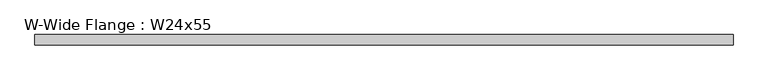
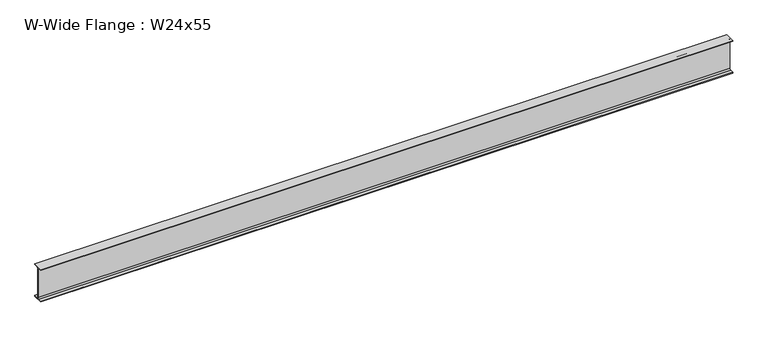
"""IFC4 building model written with IfcOpenShell, lengths in millimetres: beam geometry, W-Wide Flange : W24x55."""

from ifc_helpers import new_model, si_unit, point, frame, frame_2d, origin, place, context, project, spatial, polyline, circle_curve, trimmed, segment, composite_curve, outline, extrude, source, transform, mapped, element, save


def w_wide_flange_w24x55_4f8eaafe(model_context):
    return source(origin(), model_context, "Body", "SweptSolid", [
        extrude(outline(composite_curve([segment(polyline([(89.027, -286.893), (89.027, -299.72), (-89.027, -299.72), (-89.027, -286.893), (-28.702, -286.893)]), True, "CONTINUOUS"), segment(trimmed(circle_curve(frame_2d((-28.702, -263.2075)), 23.6855), [point((-28.702, -286.893))], [point((-5.0165, -263.2075))], True, "CARTESIAN"), True, "CONTINUOUS"), segment(polyline([(-5.0165, -263.2075), (-5.0165, 263.2075)]), True, "CONTINUOUS"), segment(trimmed(circle_curve(frame_2d((-28.702, 263.2075)), 23.6855), [point((-5.0165, 263.2075))], [point((-28.702, 286.893))], True, "CARTESIAN"), True, "CONTINUOUS"), segment(polyline([(-28.702, 286.893), (-89.027, 286.893), (-89.027, 299.72), (89.027, 299.72), (89.027, 286.893), (28.702, 286.893)]), True, "CONTINUOUS"), segment(trimmed(circle_curve(frame_2d((28.702, 263.2075)), 23.6855), [point((28.702, 286.893))], [point((5.0165, 263.2075))], True, "CARTESIAN"), True, "CONTINUOUS"), segment(polyline([(5.0165, 263.2075), (5.0165, -263.2075)]), True, "CONTINUOUS"), segment(trimmed(circle_curve(frame_2d((28.702, -263.2075)), 23.6855), [point((5.0165, -263.2075))], [point((28.702, -286.893))], True, "CARTESIAN"), True, "CONTINUOUS"), segment(polyline([(28.702, -286.893), (89.027, -286.893)]), True, "CONTINUOUS")], self_intersect=False)), frame((-5983.0209778, 0.0, 0.0), z_axis=(1.0, 0.0, 0.0), x_axis=(0.0, 1.0, 0.0)), (0.0, 0.0, 1.0), 12129.8719556),
    ])


if __name__ == "__main__":
    model = new_model("IFC4")
    model_context = context("Model", 3, world=origin())
    ifc_project = project(units=[si_unit("LENGTHUNIT", "METRE", prefix="MILLI")], contexts=[model_context])
    site = spatial("IfcSite", under=ifc_project)
    building = spatial("IfcBuilding", under=site)
    placement = place(None, origin())
    w_wide_flange_w24x55_shape = w_wide_flange_w24x55_4f8eaafe(model_context)
    element("IfcBeam", 1, ObjectType="W-Wide Flange : W24x55", at=placement, inside=building, context=model_context, shape_type="MappedRepresentation", body=[
        mapped(w_wide_flange_w24x55_shape, transform((0.0, 0.0, 0.0), x_axis=(1.0, 0.0, 0.0), y_axis=(0.0, 1.0, 0.0), z_axis=(0.0, 0.0, 1.0))),
    ])
    save(model, "model.ifc")
